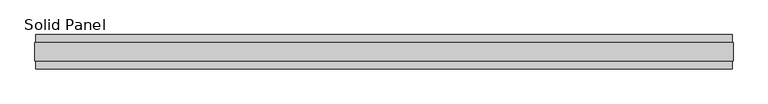
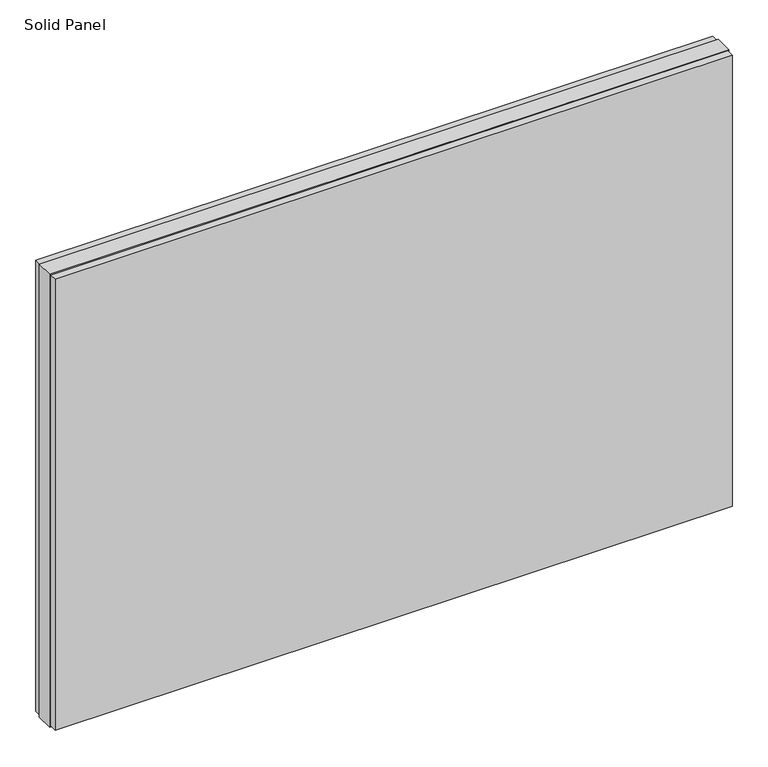
"""IFC4 building model written with IfcOpenShell, lengths in millimetres: plate geometry, Solid Panel."""

import ifcopenshell
import ifcopenshell.guid

model = None  # the IFC model being written
_history = None  # IfcOwnerHistory: only IFC2X3 demands one
_inside = {}  # id of a spatial element -> (the spatial element, [elements in it])
_under = {}  # id of a project, library or spatial element -> (it, [spatial elements below it])
_declared = {}  # id of a project -> (the project, [libraries it declares])
_typed = {}  # id of a type object -> (the type object, [elements of that type])
_made_of = {}  # id of a material, layer set ... -> (it, [elements and type objects made of it])


def new_model(schema):
    """Start an empty IFC model of exactly this schema.

    Asked for "IFC4X3", IfcOpenShell would pick the latest addendum, in which some entities
    have other attributes; the version numbers below select the first issue.
    IFC2X3 requires an IfcOwnerHistory on every rooted entity: one is made here for all.
    """
    global model, _history
    if schema == "IFC4X3":
        model = ifcopenshell.file(schema_version=(4, 3, 0, 0))
    else:
        model = ifcopenshell.file(schema=schema)
    _inside.clear()
    _under.clear()
    _declared.clear()
    _typed.clear()
    _made_of.clear()
    _history = None
    if model.schema == "IFC2X3":
        org = make("IfcOrganization", Name="unknown")
        user = make(
            "IfcPersonAndOrganization",
            ThePerson=make("IfcPerson", FamilyName="unknown"),
            TheOrganization=org,
        )
        app = make(
            "IfcApplication",
            ApplicationDeveloper=org,
            Version="unknown",
            ApplicationFullName="unknown",
            ApplicationIdentifier="unknown",
        )
        _history = make(
            "IfcOwnerHistory",
            OwningUser=user,
            OwningApplication=app,
            ChangeAction="ADDED",
            CreationDate=0,
        )
    return model


def make(cls, **values):
    """One entity of the class cls with the attributes given. An attribute that is None is left unset."""
    return model.create_entity(
        cls, **{name: value for name, value in values.items() if value is not None}
    )


def rooted(cls, **values):
    """An entity with a GlobalId (a new one), such as an element, a storey or a relation."""
    return make(cls, GlobalId=ifcopenshell.guid.new(), OwnerHistory=_history, **values)


def si_unit(unit_type, name, prefix=None):
    """IfcSIUnit, for example si_unit("LENGTHUNIT", "METRE", prefix="MILLI")."""
    return make("IfcSIUnit", UnitType=unit_type, Prefix=prefix, Name=name)


def assignment(units):
    """IfcUnitAssignment: the units of a project."""
    return None if units is None else make("IfcUnitAssignment", Units=units)


def point(xyz):
    """IfcCartesianPoint."""
    return None if xyz is None else make("IfcCartesianPoint", Coordinates=xyz)


def direction(xyz):
    """IfcDirection."""
    return None if xyz is None else make("IfcDirection", DirectionRatios=xyz)


def frame(location, z_axis=None, x_axis=None):
    """IfcAxis2Placement3D, a coordinate frame: its origin and axes. An axis left out is left unset."""
    return make(
        "IfcAxis2Placement3D",
        Location=point(location),
        Axis=direction(z_axis),
        RefDirection=direction(x_axis),
    )


def origin():
    """The frame at (0, 0, 0) with its axes left unset."""
    return frame((0.0, 0.0, 0.0))


def origin_with_axes():
    """The frame at (0, 0, 0) with the z axis (0, 0, 1) and the x axis (1, 0, 0) written out."""
    return frame((0.0, 0.0, 0.0), z_axis=(0.0, 0.0, 1.0), x_axis=(1.0, 0.0, 0.0))


def place(relative_to, where):
    """IfcLocalPlacement: puts the frame where relative to a parent placement (None: the world)."""
    return make(
        "IfcLocalPlacement", PlacementRelTo=relative_to, RelativePlacement=where
    )


def context(
    kind, dimensions, precision=None, world=None, true_north=None, identifier=None
):
    """IfcGeometricRepresentationContext, for example the 3D "Model" context."""
    return make(
        "IfcGeometricRepresentationContext",
        ContextIdentifier=identifier,
        ContextType=kind,
        CoordinateSpaceDimension=dimensions,
        Precision=precision,
        WorldCoordinateSystem=world,
        TrueNorth=true_north,
    )


def project(units=None, contexts=None):
    """IfcProject with its units and contexts."""
    return rooted(
        "IfcProject",
        Name="project",
        RepresentationContexts=contexts,
        UnitsInContext=assignment(units),
    )


def spatial(cls, under=None, at=None, **own):
    """A site, building, storey or space (cls), placed at a placement, below another one or the project."""
    s = rooted(cls, ObjectPlacement=at, **own)
    if under is not None:
        _under.setdefault(under.id(), (under, []))[1].append(s)
    return s


def polyline(points):
    """IfcPolyline through the points."""
    return make("IfcPolyline", Points=[point(p) for p in points])


def outline(outer, holes=None, kind="AREA"):
    """IfcArbitraryClosedProfileDef: a profile drawn as a closed curve; with holes, ...WithVoids."""
    if holes is None:
        return make("IfcArbitraryClosedProfileDef", ProfileType=kind, OuterCurve=outer)
    return make(
        "IfcArbitraryProfileDefWithVoids",
        ProfileType=kind,
        OuterCurve=outer,
        InnerCurves=holes,
    )


def extrude(swept, where, along, depth):
    """IfcExtrudedAreaSolid: the profile swept, set in the frame where, extruded along a direction by depth."""
    return make(
        "IfcExtrudedAreaSolid",
        SweptArea=swept,
        Position=where,
        ExtrudedDirection=direction(along),
        Depth=depth,
    )


def shape(context_of_items, identifier, shape_type, items):
    """IfcShapeRepresentation: the items that make up one representation, for example the "Body"."""
    return make(
        "IfcShapeRepresentation",
        ContextOfItems=context_of_items,
        RepresentationIdentifier=identifier,
        RepresentationType=shape_type,
        Items=items,
    )


def source(mapping_origin, context_of_items, identifier, shape_type, items):
    """IfcRepresentationMap: a shape defined once, which mapped items show again and again."""
    return make(
        "IfcRepresentationMap",
        MappingOrigin=mapping_origin,
        MappedRepresentation=shape(context_of_items, identifier, shape_type, items),
    )


def transform(
    local_origin,
    x_axis=None,
    y_axis=None,
    z_axis=None,
    scale=None,
    scale2=None,
    scale3=None,
    uniform=True,
):
    """IfcCartesianTransformationOperator3D, or its non-uniform kind. x_axis, y_axis, z_axis: its Axis1, 2, 3."""
    if uniform:
        return make(
            "IfcCartesianTransformationOperator3D",
            Axis1=direction(x_axis),
            Axis2=direction(y_axis),
            LocalOrigin=point(local_origin),
            Scale=scale,
            Axis3=direction(z_axis),
        )
    return make(
        "IfcCartesianTransformationOperator3DnonUniform",
        Axis1=direction(x_axis),
        Axis2=direction(y_axis),
        LocalOrigin=point(local_origin),
        Scale=scale,
        Axis3=direction(z_axis),
        Scale2=scale2,
        Scale3=scale3,
    )


def mapped(mapping_source, mapping_target):
    """IfcMappedItem: shows the shape of a source again, moved by a transform."""
    return make(
        "IfcMappedItem", MappingSource=mapping_source, MappingTarget=mapping_target
    )


def made_of(thing, what):
    """Note that an element or type object is made of a material, layer set ...; save() writes the relation."""
    if what is not None:
        _made_of.setdefault(what.id(), (what, []))[1].append(thing)
    return thing


def element(
    cls,
    number,
    at=None,
    inside=None,
    cuts=None,
    type_object=None,
    material=None,
    context=None,
    identifier="Body",
    shape_type=None,
    held_by="IfcProductDefinitionShape",
    body=None,
    shapes=None,
    **own,
):
    """One element of the class cls, such as IfcWall. Its Tag is "e" and its number.

    at: its placement. inside: the storey or other place that contains it. cuts: it is an
    opening in that element (IfcRelVoidsElement). A single representation is given by context,
    identifier, shape_type and body (its items); several are given by shapes. held_by: the class
    of the entity that holds the representations. save() writes the other relations.
    """
    e = rooted(cls, Tag="e%d" % number, ObjectPlacement=at, **own)
    if body is not None:
        shapes = [shape(context, identifier, shape_type, body)]
    if shapes is not None:
        e.Representation = make(held_by, Representations=shapes)
    if inside is not None:
        _inside.setdefault(inside.id(), (inside, []))[1].append(e)
    if cuts is not None:
        rooted(
            "IfcRelVoidsElement", RelatingBuildingElement=cuts, RelatedOpeningElement=e
        )
    if type_object is not None:
        _typed.setdefault(type_object.id(), (type_object, []))[1].append(e)
    return made_of(e, material)


def aggregate(whole, parts):
    """IfcRelAggregates: a whole, such as a stair, and the parts it consists of."""
    return rooted("IfcRelAggregates", RelatingObject=whole, RelatedObjects=parts)


def save(model, path):
    """Write the relations noted so far, then the file.

    IfcRelAggregates (storeys below a building ...), IfcRelContainedInSpatialStructure (elements
    in a storey), IfcRelDefinesByType, IfcRelAssociatesMaterial and IfcRelDeclares: one each for
    every whole, place, type object, material and project.
    """
    for whole, parts in _under.values():
        aggregate(whole, parts)
    for where, things in _inside.values():
        rooted(
            "IfcRelContainedInSpatialStructure",
            RelatedElements=things,
            RelatingStructure=where,
        )
    for kind, things in _typed.values():
        rooted("IfcRelDefinesByType", RelatedObjects=things, RelatingType=kind)
    for what, things in _made_of.values():
        rooted("IfcRelAssociatesMaterial", RelatedObjects=things, RelatingMaterial=what)
    for by, libraries in _declared.values():
        rooted("IfcRelDeclares", RelatingContext=by, RelatedDefinitions=libraries)
    model.write(path)


def solid_panel_41fe9d72(model_context):
    return source(origin(), model_context, "Body", "SweptSolid", [
        extrude(outline(polyline([(987.6028012, -48.4531867), (-987.6028012, -48.4531867), (-987.6028012, -25.9961), (987.6028012, -25.9961), (987.6028012, -48.4531867)])), frame((0.0, 0.0, 3.0099), z_axis=(0.0, 0.0, 1.0), x_axis=(1.0, 0.0, 0.0)), (0.0, 0.0, 1.0), 1390.9802),
        extrude(outline(polyline([(987.6028012, 25.9977), (-987.6028012, 25.9977), (-987.6028012, 48.4547867), (987.6028012, 48.4547867), (987.6028012, 25.9977)])), frame((0.0, 0.0, 3.0099), z_axis=(0.0, 0.0, 1.0), x_axis=(1.0, 0.0, 0.0)), (0.0, 0.0, 1.0), 1390.9802),
        extrude(outline(polyline([(990.6000012, -25.9961), (-990.6000012, -25.9961), (-990.6000012, 25.9977), (990.6000012, 25.9977), (990.6000012, -25.9961)])), origin_with_axes(), (0.0, 0.0, 1.0), 1397.0),
    ])


if __name__ == "__main__":
    model = new_model("IFC4")
    model_context = context("Model", 3, world=origin())
    ifc_project = project(units=[si_unit("LENGTHUNIT", "METRE", prefix="MILLI")], contexts=[model_context])
    site = spatial("IfcSite", under=ifc_project)
    building = spatial("IfcBuilding", under=site)
    placement = place(None, origin())
    solid_panel_shape = solid_panel_41fe9d72(model_context)
    element("IfcPlate", 1, ObjectType="Solid Panel", at=placement, inside=building, context=model_context, shape_type="MappedRepresentation", body=[
        mapped(solid_panel_shape, transform((0.0, 0.0, 0.0), x_axis=(1.0, 0.0, 0.0), y_axis=(0.0, 1.0, 0.0), z_axis=(0.0, 0.0, 1.0))),
    ])
    save(model, "model.ifc")
